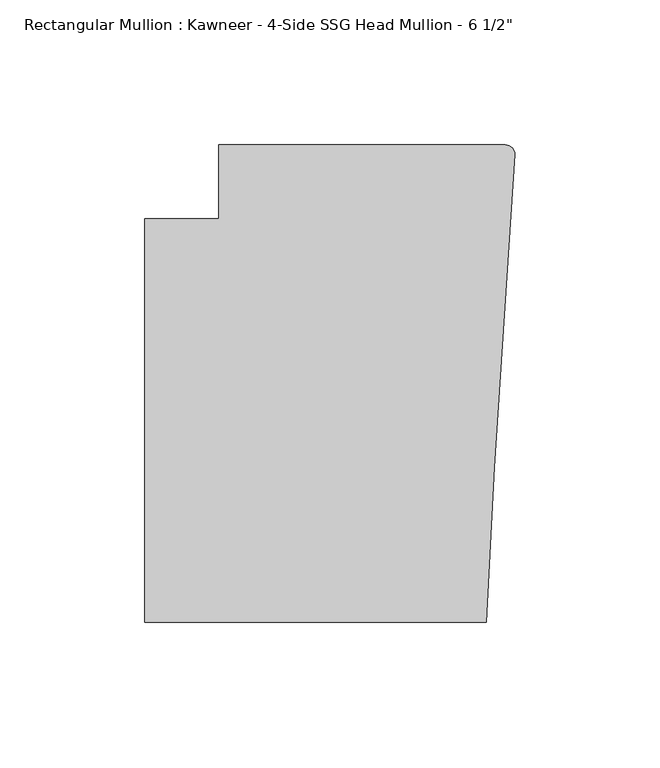
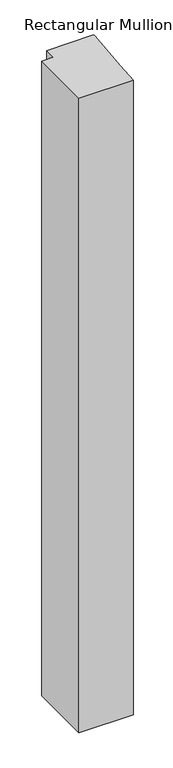
"""IFC4 building model written with IfcOpenShell, lengths in millimetres: member geometry."""

from ifc_helpers import new_model, si_unit, point, frame, frame_2d, origin, place, context, project, spatial, polyline, circle_curve, trimmed, segment, composite_curve, outline, extrude, source, transform, mapped, element, save


def member_c8c7a4af(model_context):
    return source(origin(), model_context, "Body", "SweptSolid", [
        extrude(outline(composite_curve([segment(polyline([(-102.08978, 12.7), (-3.175, 12.7)]), True, "CONTINUOUS"), segment(trimmed(circle_curve(frame_2d((-3.175, 9.525)), 3.175), [point((-3.175, 12.7))], [point((-0.006635, 9.3198462))], False, "CARTESIAN"), True, "CONTINUOUS"), segment(polyline([(-0.006635, 9.3198462), (-6.9873394, -98.4891117), (-9.7860662, -151.892), (-127.4896668, -151.892), (-127.4896668, -12.7), (-102.08978, -12.7), (-102.08978, 12.7)]), True, "CONTINUOUS")], self_intersect=False)), frame((0.0, 0.0, -1449.9766175), z_axis=(0.0, 0.0, 1.0), x_axis=(1.0, 0.0, 0.0)), (0.0, 0.0, 1.0), 1449.9766175),
    ])


if __name__ == "__main__":
    model = new_model("IFC4")
    model_context = context("Model", 3, world=origin())
    ifc_project = project(units=[si_unit("LENGTHUNIT", "METRE", prefix="MILLI")], contexts=[model_context])
    site = spatial("IfcSite", under=ifc_project)
    building = spatial("IfcBuilding", under=site)
    placement = place(None, origin())
    member_shape = member_c8c7a4af(model_context)
    element("IfcMember", 1, ObjectType="Rectangular Mullion : Kawneer - 4-Side SSG Head Mullion - 6 1/2\"", at=placement, inside=building, context=model_context, shape_type="MappedRepresentation", body=[
        mapped(member_shape, transform((0.0, 0.0, 0.0), x_axis=(1.0, 0.0, 0.0), y_axis=(0.0, 1.0, 0.0), z_axis=(0.0, 0.0, 1.0))),
    ])
    save(model, "model.ifc")
